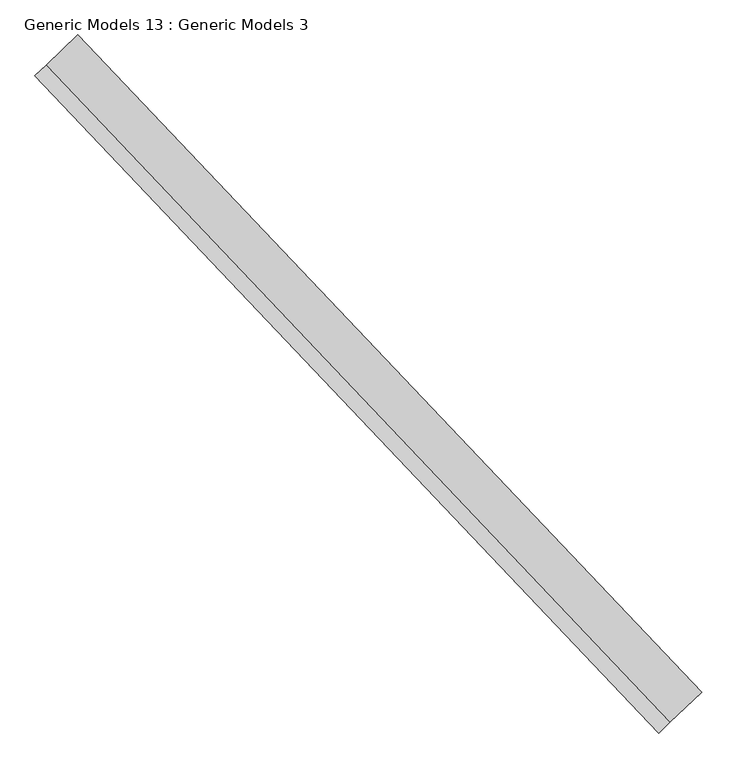
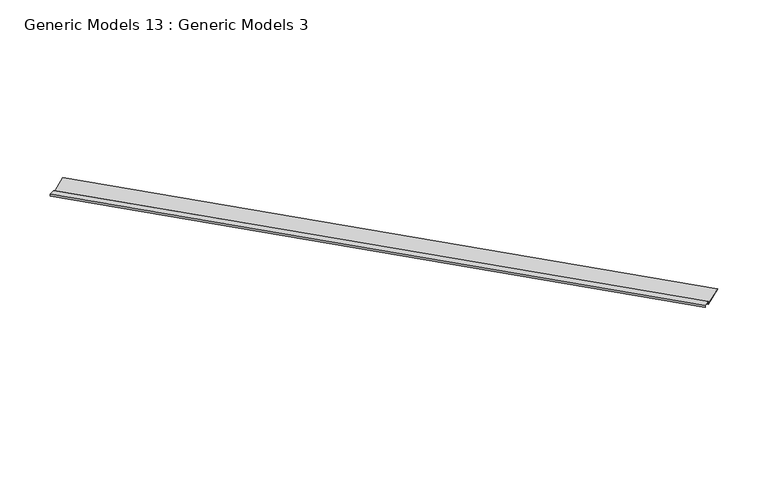
"""IFC4 building model written with IfcOpenShell, lengths in millimetres: proxy geometry, Generic Models 13 : Generic Models 3."""

from ifc_helpers import new_model, si_unit, frame, origin, place, context, project, spatial, polyline, outline, extrude, source, transform, mapped, element, save


def generic_models_13_generic_models_3_22c0a6fa(model_context):
    return source(origin(), model_context, "Body", "SweptSolid", [
        extrude(outline(polyline([(196.7506979, 0.0), (207.7808722, 37.2375319), (632.4685802, -41.007084), (632.1809398, -42.5683077), (208.897466, 35.4175916), (197.9361431, -1.5875), (41.1923055, -1.5875), (50.4715616, 29.7389856), (51.9936889, 29.2881145), (43.3182211, -1e-07), (196.7506979, 0.0)])), frame((113461.989356, 53726.7508491, 17471.8953717), z_axis=(-0.6883545756937504, 0.7253743710122913, 0.0), x_axis=(0.6955036953045624, 0.660008362863285, -0.28401332850453515)), (0.0, 0.0, 1.0), 8832.85),
    ])


if __name__ == "__main__":
    model = new_model("IFC4")
    model_context = context("Model", 3, world=origin())
    ifc_project = project(units=[si_unit("LENGTHUNIT", "METRE", prefix="MILLI")], contexts=[model_context])
    site = spatial("IfcSite", under=ifc_project)
    building = spatial("IfcBuilding", under=site)
    placement = place(None, origin())
    generic_models_13_generic_models_3_shape = generic_models_13_generic_models_3_22c0a6fa(model_context)
    element("IfcBuildingElementProxy", 1, Name="Generic Models 13 : Generic Models 3", ObjectType="Generic Models 13 : Generic Models 3", at=placement, inside=building, context=model_context, shape_type="MappedRepresentation", body=[
        mapped(generic_models_13_generic_models_3_shape, transform((0.0, 0.0, 0.0), x_axis=(1.0, 0.0, 0.0), y_axis=(0.0, 1.0, 0.0), z_axis=(0.0, 0.0, 1.0))),
    ])
    save(model, "model.ifc")
